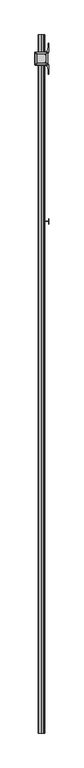
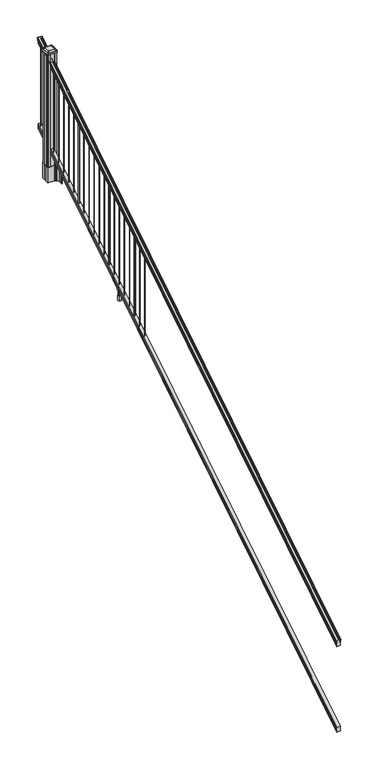
"""IFC4 building model written with IfcOpenShell, lengths in millimetres: railing geometry."""

from ifc_helpers import new_model, si_unit, point, frame, frame_2d, origin, place, context, project, spatial, polyline, circle_curve, ellipse_curve, trimmed, segment, composite_curve, outline, extrude, faceted_brep, source, transform, mapped, element, save
from ifc_brep_helpers import plane_surface, cylinder_surface, revolved_surface, extruded_surface, advanced_brep


def railing_d0e5d1f3(model_context):
    return source(origin(), model_context, "Body", "SolidModel", [
        advanced_brep(
        [(7294.632944, -87458.4628453, 1133.2070492), (7297.2067728, -87458.4628453, 1133.2070492), (7297.2067728, -87458.4628453, 1120.6394336), (7296.1907728, -87458.4628453, 1119.441318), (7296.1907728, -87458.4628453, 1104.9), (7327.9407728, -87458.4628453, 1104.9), (7327.9407728, -87458.4628453, 1119.6274214), (7326.9247728, -87458.4628453, 1120.825537), (7326.9247728, -87458.4628453, 1133.2070492), (7329.4986015, -87458.4628453, 1133.2070492), (7329.4986015, -87458.4628453, 1135.4335658), (7330.6287878, -87458.4628453, 1137.2758543), (7330.6287878, -87458.4628453, 1145.7876358), (7329.9795314, -87458.4628453, 1148.6572588), (7332.4795314, -87458.4628453, 1153.7635509), (7333.8888739, -87458.4628453, 1155.7442021), (7334.2907729, -87458.4628453, 1157.0469579), (7334.2907728, -87458.4628453, 1158.6274846), (7332.7373255, -87458.4628453, 1160.4593836), (7312.0657728, -87458.4628453, 1160.4593836), (7291.39422, -87458.4628453, 1160.4593836), (7289.8407728, -87458.4628453, 1158.6274846), (7289.8407728, -87458.4628453, 1157.0469579), (7290.2426717, -87458.4628453, 1155.7442021), (7291.6520141, -87458.4628453, 1153.7635509), (7294.1520141, -87458.4628453, 1148.6572588), (7293.5027577, -87458.4628453, 1145.7876358), (7293.5027577, -87458.4628453, 1137.2758543), (7294.632944, -87458.4628453, 1135.4335658), (7294.632944, -82581.6628453, 4181.2070492), (7294.632944, -82581.6628453, 4183.4335658), (7293.5027577, -82581.6628453, 4185.2758543), (7293.5027577, -82581.6628453, 4193.7876358), (7294.1520141, -82581.6628453, 4196.6572588), (7291.6520141, -82581.6628453, 4201.7635509), (7290.2426717, -82581.6628453, 4203.7442021), (7289.8407727, -82581.6628453, 4205.0469579), (7289.8407728, -82581.6628453, 4206.6274846), (7291.39422, -82581.6628453, 4208.4593836), (7312.0657728, -82581.6628453, 4208.4593836), (7332.7373255, -82581.6628453, 4208.4593836), (7334.2907728, -82581.6628453, 4206.6274846), (7334.2907728, -82581.6628453, 4205.0469579), (7333.8888739, -82581.6628453, 4203.7442021), (7332.4795314, -82581.6628453, 4201.7635509), (7329.9795314, -82581.6628453, 4196.6572588), (7330.6287878, -82581.6628453, 4193.7876358), (7330.6287878, -82581.6628453, 4185.2758543), (7329.4986015, -82581.6628453, 4183.4335658), (7329.4986015, -82581.6628453, 4181.2070492), (7326.9247728, -82581.6628453, 4181.2070492), (7326.9247728, -82581.6628453, 4168.825537), (7327.9407728, -82581.6628453, 4167.6274214), (7327.9407728, -82581.6628453, 4152.9), (7296.1907728, -82581.6628453, 4152.9), (7296.1907728, -82581.6628453, 4167.441318), (7297.2067728, -82581.6628453, 4168.6394336), (7297.2067728, -82581.6628453, 4181.2070492)],
        [
            (0, 1, ellipse_curve(frame((7295.9198584, -87458.4628453, 1133.2070492), z_axis=(0.0, -1.0, 0.0), x_axis=(0.0, 0.0, -1.0)), 1.5175907, 1.2869144)),
            (1, 2),
            (2, 3),
            (3, 4),
            (4, 5),
            (5, 6),
            (6, 7),
            (7, 8),
            (8, 9, ellipse_curve(frame((7328.2116871, -87458.4628453, 1133.2070492), z_axis=(0.0, -1.0, 0.0), x_axis=(0.0, 0.0, -1.0)), 1.5175907, 1.2869144)),
            (9, 10),
            (10, 11, ellipse_curve(frame((7323.1838482, -87458.4628453, 1142.2239405), z_axis=(0.0, -1.0, 0.0), x_axis=(0.0, 0.0, -1.0)), 10.0777926, 8.545951)),
            (11, 12, ellipse_curve(frame((7323.6209112, -87458.4628453, 1141.5317451), z_axis=(0.0, -1.0, 0.0), x_axis=(0.0, 0.0, -1.0)), 9.2955186, 7.882584)),
            (12, 13, ellipse_curve(frame((7334.1342353, -87458.4628453, 1148.4275077), z_axis=(0.0, 1.0, 0.0), x_axis=(0.0, 0.0, 1.0)), 4.9048088, 4.1592695)),
            (13, 14, ellipse_curve(frame((7335.4215419, -87458.4628453, 1148.3563208), z_axis=(0.0, 1.0, 0.0), x_axis=(0.0, 0.0, 1.0)), 6.4245301, 5.4479907)),
            (14, 15, ellipse_curve(frame((7334.1883834, -87458.4628453, 1153.7602333), z_axis=(0.0, 1.0, 0.0), x_axis=(0.0, 0.0, 1.0)), 2.0151625, 1.7088543)),
            (15, 16, ellipse_curve(frame((7332.5714833, -87458.4628453, 1157.0469579), z_axis=(0.0, -1.0, 0.0), x_axis=(0.0, 0.0, -1.0)), 2.0274681, 1.7192895)),
            (16, 17),
            (17, 18, ellipse_curve(frame((7332.7373255, -87458.4628453, 1158.6274846), z_axis=(0.0, -1.0, 0.0), x_axis=(0.0, 0.0, -1.0)), 1.831899, 1.5534472)),
            (18, 19),
            (19, 20),
            (20, 21, ellipse_curve(frame((7291.39422, -87458.4628453, 1158.6274846), z_axis=(0.0, -1.0, 0.0), x_axis=(0.0, 0.0, -1.0)), 1.831899, 1.5534472)),
            (21, 22),
            (22, 23, ellipse_curve(frame((7291.5600622, -87458.4628453, 1157.0469579), z_axis=(0.0, -1.0, 0.0), x_axis=(0.0, 0.0, -1.0)), 2.0274681, 1.7192895)),
            (23, 24, ellipse_curve(frame((7289.9431621, -87458.4628453, 1153.7602333), z_axis=(0.0, 1.0, 0.0), x_axis=(0.0, 0.0, 1.0)), 2.0151625, 1.7088543)),
            (24, 25, ellipse_curve(frame((7288.7100037, -87458.4628453, 1148.3563208), z_axis=(0.0, 1.0, 0.0), x_axis=(0.0, 0.0, 1.0)), 6.4245301, 5.4479907)),
            (25, 26, ellipse_curve(frame((7289.9973102, -87458.4628453, 1148.4275077), z_axis=(0.0, 1.0, 0.0), x_axis=(0.0, 0.0, 1.0)), 4.9048088, 4.1592695)),
            (26, 27, ellipse_curve(frame((7300.5106343, -87458.4628453, 1141.5317451), z_axis=(0.0, -1.0, 0.0), x_axis=(0.0, 0.0, -1.0)), 9.2955186, 7.882584)),
            (27, 28, ellipse_curve(frame((7300.9476973, -87458.4628453, 1142.2239405), z_axis=(0.0, -1.0, 0.0), x_axis=(0.0, 0.0, -1.0)), 10.0777926, 8.545951)),
            (28, 0),
            (29, 30),
            (30, 31, ellipse_curve(frame((7300.9476973, -82581.6628453, 4190.2239405), z_axis=(0.0, 1.0, 0.0), x_axis=(0.0, 0.0, -1.0)), 10.0777926, 8.545951)),
            (31, 32, ellipse_curve(frame((7300.5106343, -82581.6628453, 4189.5317451), z_axis=(0.0, 1.0, 0.0), x_axis=(0.0, 0.0, -1.0)), 9.2955186, 7.882584)),
            (32, 33, ellipse_curve(frame((7289.9973102, -82581.6628453, 4196.4275077), z_axis=(0.0, -1.0, 0.0), x_axis=(0.0, 0.0, 1.0)), 4.9048088, 4.1592695)),
            (33, 34, ellipse_curve(frame((7288.7100037, -82581.6628453, 4196.3563208), z_axis=(0.0, -1.0, 0.0), x_axis=(0.0, 0.0, 1.0)), 6.4245301, 5.4479907)),
            (34, 35, ellipse_curve(frame((7289.9431621, -82581.6628453, 4201.7602333), z_axis=(0.0, -1.0, 0.0), x_axis=(0.0, 0.0, 1.0)), 2.0151625, 1.7088543)),
            (35, 36, ellipse_curve(frame((7291.5600622, -82581.6628453, 4205.0469579), z_axis=(0.0, 1.0, 0.0), x_axis=(0.0, 0.0, -1.0)), 2.0274681, 1.7192895)),
            (36, 37),
            (37, 38, ellipse_curve(frame((7291.39422, -82581.6628453, 4206.6274846), z_axis=(0.0, 1.0, 0.0), x_axis=(0.0, 0.0, -1.0)), 1.831899, 1.5534472)),
            (38, 39),
            (39, 40),
            (40, 41, ellipse_curve(frame((7332.7373255, -82581.6628453, 4206.6274846), z_axis=(0.0, 1.0, 0.0), x_axis=(0.0, 0.0, -1.0)), 1.831899, 1.5534472)),
            (41, 42),
            (42, 43, ellipse_curve(frame((7332.5714833, -82581.6628453, 4205.0469579), z_axis=(0.0, 1.0, 0.0), x_axis=(0.0, 0.0, -1.0)), 2.0274681, 1.7192895)),
            (43, 44, ellipse_curve(frame((7334.1883834, -82581.6628453, 4201.7602333), z_axis=(0.0, -1.0, 0.0), x_axis=(0.0, 0.0, 1.0)), 2.0151625, 1.7088543)),
            (44, 45, ellipse_curve(frame((7335.4215419, -82581.6628453, 4196.3563208), z_axis=(0.0, -1.0, 0.0), x_axis=(0.0, 0.0, 1.0)), 6.4245301, 5.4479907)),
            (45, 46, ellipse_curve(frame((7334.1342353, -82581.6628453, 4196.4275077), z_axis=(0.0, -1.0, 0.0), x_axis=(0.0, 0.0, 1.0)), 4.9048088, 4.1592695)),
            (46, 47, ellipse_curve(frame((7323.6209112, -82581.6628453, 4189.5317451), z_axis=(0.0, 1.0, 0.0), x_axis=(0.0, 0.0, -1.0)), 9.2955186, 7.882584)),
            (47, 48, ellipse_curve(frame((7323.1838482, -82581.6628453, 4190.2239405), z_axis=(0.0, 1.0, 0.0), x_axis=(0.0, 0.0, -1.0)), 10.0777926, 8.545951)),
            (48, 49),
            (49, 50, ellipse_curve(frame((7328.2116871, -82581.6628453, 4181.2070492), z_axis=(0.0, 1.0, 0.0), x_axis=(0.0, 0.0, -1.0)), 1.5175907, 1.2869144)),
            (50, 51),
            (51, 52),
            (52, 53),
            (53, 54),
            (54, 55),
            (55, 56),
            (56, 57),
            (57, 29, ellipse_curve(frame((7295.9198584, -82581.6628453, 4181.2070492), z_axis=(0.0, 1.0, 0.0), x_axis=(0.0, 0.0, -1.0)), 1.5175907, 1.2869144)),
            (28, 30),
            (29, 0),
            (27, 31),
            (26, 32),
            (25, 33),
            (24, 34),
            (23, 35),
            (22, 36),
            (21, 37),
            (20, 38),
            (19, 39),
            (18, 40),
            (17, 41),
            (16, 42),
            (15, 43),
            (14, 44),
            (13, 45),
            (12, 46),
            (11, 47),
            (10, 48),
            (9, 49),
            (8, 50),
            (7, 51),
            (6, 52),
            (5, 53),
            (4, 54),
            (3, 55),
            (2, 56),
            (1, 57),
        ],
        [
            plane_surface(frame((7312.0657728, -87458.4628453, 1104.9), z_axis=(0.0, -1.0, 0.0), x_axis=(0.0, 0.0, 1.0))),
            plane_surface(frame((7312.0657728, -82581.6628453, 4152.9), z_axis=(0.0, 1.0, 0.0), x_axis=(0.0, 0.0, 1.0))),
            plane_surface(frame((7294.632944, -87458.4628453, 1135.4335658), z_axis=(-1.0, 0.0, 0.0), x_axis=(0.0, 0.8479983040051252, 0.5299989400031204))),
            cylinder_surface(frame((7300.9476973, -87475.23765, 1131.7396876), z_axis=(0.0, -0.8479983040051253, -0.5299989400031204), x_axis=(1.0, 0.0, 0.0)), 8.545951),
            cylinder_surface(frame((7300.5106343, -87474.9265509, 1131.241929), z_axis=(0.0, -0.8479983040051253, -0.5299989400031204), x_axis=(1.0, 0.0, 0.0)), 7.882584),
            revolved_surface(polyline([(7294.1565797, -82579.45843685034, 4197.805262980552), (7294.1565797, -87460.66725374945, 1147.0497524190953)]), (7289.9973102, -87478.0257701, 1136.2006797), (0.0, 0.8479983040051253, 0.5299989400031204)),
            revolved_surface(polyline([(7294.1579944000005, -82578.77541603574, 4198.160964077185), (7294.1579944000005, -87461.35027455281, 1146.551677504493)]), (7288.7100037, -87477.993776, 1136.1494891), (0.0, 0.8479983040051253, 0.5299989400031204)),
            revolved_surface(polyline([(7291.6520164, -82580.75715429979, 4202.326290199658), (7291.6520164, -87459.36853632248, 1153.1941764359544)]), (7289.9431621, -87480.4225007, 1140.0354487), (0.0, 0.8479983040051253, 0.5299989400031204)),
            cylinder_surface(frame((7291.5600622, -87481.8996803, 1142.398936), z_axis=(0.0, -0.8479983040051253, -0.5299989400031204), x_axis=(1.0, 0.0, 0.0)), 1.7192895),
            plane_surface(frame((7289.8407728, -87458.4628453, 1158.6274846), z_axis=(-1.0, 0.0, 0.0), x_axis=(0.0, 0.8479983040051252, 0.5299989400031204))),
            cylinder_surface(frame((7291.39422, -87482.6100294, 1143.5354945), z_axis=(0.0, -0.8479983040051253, -0.5299989400031204), x_axis=(1.0, 0.0, 0.0)), 1.5534472),
            plane_surface(frame((7312.0657728, -87458.4628453, 1160.4593836), z_axis=(0.0, -0.5299989400031204, 0.8479983040051252), x_axis=(0.0, 0.8479983040051252, 0.5299989400031204))),
            plane_surface(frame((7332.7373255, -87458.4628453, 1160.4593836), z_axis=(0.0, -0.5299989400031204, 0.8479983040051252), x_axis=(0.0, 0.8479983040051252, 0.5299989400031204))),
            cylinder_surface(frame((7332.7373255, -87482.6100294, 1143.5354945), z_axis=(0.0, -0.8479983040051253, -0.5299989400031204), x_axis=(-1.0, 0.0, 0.0)), 1.5534472),
            plane_surface(frame((7334.2907728, -87458.4628453, 1157.0469579), z_axis=(1.0, 0.0, 0.0), x_axis=(0.0, 0.8479983040051252, 0.5299989400031204))),
            cylinder_surface(frame((7332.5714833, -87481.8996803, 1142.398936), z_axis=(0.0, -0.8479983040051253, -0.5299989400031204), x_axis=(-1.0, 0.0, 0.0)), 1.7192895),
            revolved_surface(polyline([(7332.4795291, -82580.75715429979, 4202.326290199658), (7332.4795291, -87459.36853632248, 1153.1941764359544)]), (7334.1883834, -87480.4225007, 1140.0354487), (0.0, 0.8479983040051253, 0.5299989400031204)),
            revolved_surface(polyline([(7329.9735512, -82578.77541603574, 4198.160964077185), (7329.9735512, -87461.35027455281, 1146.551677504493)]), (7335.4215419, -87477.993776, 1136.1494891), (0.0, 0.8479983040051253, 0.5299989400031204)),
            revolved_surface(polyline([(7329.9749658, -82579.45843685034, 4197.805262980552), (7329.9749658, -87460.66725374945, 1147.0497524190953)]), (7334.1342353, -87478.0257701, 1136.2006797), (0.0, 0.8479983040051253, 0.5299989400031204)),
            cylinder_surface(frame((7323.6209112, -87474.9265509, 1131.241929), z_axis=(0.0, -0.8479983040051253, -0.5299989400031204), x_axis=(-1.0, 0.0, 0.0)), 7.882584),
            cylinder_surface(frame((7323.1838482, -87475.23765, 1131.7396876), z_axis=(0.0, -0.8479983040051253, -0.5299989400031204), x_axis=(-1.0, 0.0, 0.0)), 8.545951),
            plane_surface(frame((7329.4986015, -87458.4628453, 1133.2070492), z_axis=(1.0, 0.0, 0.0), x_axis=(0.0, 0.8479983040051252, 0.5299989400031204))),
            cylinder_surface(frame((7328.2116871, -87471.1851146, 1125.2556309), z_axis=(0.0, -0.8479983040051253, -0.5299989400031204), x_axis=(-1.0, 0.0, 0.0)), 1.2869144),
            plane_surface(frame((7326.9247728, -87458.4628453, 1120.825537), z_axis=(1.0, 0.0, 0.0), x_axis=(0.0, 0.8479983040051252, 0.5299989400031204))),
            plane_surface(frame((7327.9407728, -87458.4628453, 1119.6274214), z_axis=(0.7071067811865425, -0.37476584449789213, 0.5996253511967194), x_axis=(0.0, 0.8479983040051252, 0.5299989400031204))),
            plane_surface(frame((7327.9407728, -87458.4628453, 1104.9), z_axis=(1.0, 0.0, 0.0), x_axis=(0.0, 0.8479983040051252, 0.5299989400031204))),
            plane_surface(frame((7296.1907728, -87458.4628453, 1104.9), z_axis=(0.0, 0.5299989400031204, -0.8479983040051252), x_axis=(0.0, 0.8479983040051252, 0.5299989400031204))),
            plane_surface(frame((7296.1907728, -87458.4628453, 1119.441318), z_axis=(-1.0000000000000002, 0.0, 0.0), x_axis=(0.0, 0.8479983040051253, 0.5299989400031204))),
            plane_surface(frame((7297.2067728, -87458.4628453, 1120.6394336), z_axis=(-0.7071067811865401, -0.3747658444978918, 0.5996253511967223), x_axis=(0.0, 0.8479983040051253, 0.5299989400031204))),
            plane_surface(frame((7297.2067728, -87458.4628453, 1133.2070492), z_axis=(-1.0, 0.0, 0.0), x_axis=(0.0, 0.8479983040051252, 0.5299989400031204))),
            cylinder_surface(frame((7295.9198584, -87471.1851146, 1125.2556309), z_axis=(0.0, -0.8479983040051253, -0.5299989400031204), x_axis=(1.0, 0.0, 0.0)), 1.2869144),
        ],
        [
            (0, [[1, 2, 3, 4, 5, 6, 7, 8, 9, 10, 11, 12, 13, 14, 15, 16, 17, 18, 19, 20, 21, 22, 23, 24, 25, 26, 27, 28, 29]]),
            (1, [[30, 31, 32, 33, 34, 35, 36, 37, 38, 39, 40, 41, 42, 43, 44, 45, 46, 47, 48, 49, 50, 51, 52, 53, 54, 55, 56, 57, 58]]),
            (2, [[-29, 59, -30, 60]]),
            (3, [[-28, 61, -31, -59]]),
            (4, [[-27, 62, -32, -61]]),
            (5, [[-26, 63, -33, -62]]),
            (6, [[-25, 64, -34, -63]]),
            (7, [[-24, 65, -35, -64]]),
            (8, [[-23, 66, -36, -65]]),
            (9, [[-22, 67, -37, -66]]),
            (10, [[-21, 68, -38, -67]]),
            (11, [[-20, 69, -39, -68]]),
            (12, [[-19, 70, -40, -69]]),
            (13, [[-18, 71, -41, -70]]),
            (14, [[-17, 72, -42, -71]]),
            (15, [[-16, 73, -43, -72]]),
            (16, [[-15, 74, -44, -73]]),
            (17, [[-14, 75, -45, -74]]),
            (18, [[-13, 76, -46, -75]]),
            (19, [[-12, 77, -47, -76]]),
            (20, [[-11, 78, -48, -77]]),
            (21, [[-10, 79, -49, -78]]),
            (22, [[-9, 80, -50, -79]]),
            (23, [[-8, 81, -51, -80]]),
            (24, [[-7, 82, -52, -81]]),
            (25, [[-6, 83, -53, -82]]),
            (26, [[-5, 84, -54, -83]]),
            (27, [[-4, 85, -55, -84]]),
            (28, [[-3, 86, -56, -85]]),
            (29, [[-2, 87, -57, -86]]),
            (30, [[-1, -60, -58, -87]]),
        ],
    ),
        faceted_brep([(7296.1532859, -87458.4628453, 268.8045079), (7296.1532859, -87458.4628453, 254.0), (7327.9032859, -87458.4628453, 254.0), (7327.9032859, -87458.4628453, 268.7848772), (7326.8872859, -87458.4628453, 270.3748303), (7326.8872859, -87458.4628453, 282.5348741), (7327.9032859, -87458.4628453, 284.1248272), (7327.9032859, -87458.4628453, 298.9244744), (7296.1532859, -87458.4628453, 298.9244744), (7296.1532859, -87458.4628453, 284.1444579), (7297.1692859, -87458.4628453, 282.5545048), (7297.1692859, -87458.4628453, 270.338026), (7296.1532859, -82581.6628453, 3316.8045079), (7297.1692859, -82581.6628453, 3318.338026), (7297.1692859, -82581.6628453, 3330.5545048), (7296.1532859, -82581.6628453, 3332.1444579), (7296.1532859, -82581.6628453, 3346.9244744), (7327.9032859, -82581.6628453, 3346.9244744), (7327.9032859, -82581.6628453, 3332.1248272), (7326.8872859, -82581.6628453, 3330.5348741), (7326.8872859, -82581.6628453, 3318.3748303), (7327.9032859, -82581.6628453, 3316.7848772), (7327.9032859, -82581.6628453, 3302.0), (7296.1532859, -82581.6628453, 3302.0)], [[[0, 1, 2, 3, 4, 5, 6, 7, 8, 9, 10, 11]], [[12, 13, 14, 15, 16, 17, 18, 19, 20, 21, 22, 23]], [[0, 11, 13, 12]], [[11, 10, 14, 13]], [[10, 9, 15, 14]], [[9, 8, 16, 15]], [[8, 7, 17, 16]], [[7, 6, 18, 17]], [[6, 5, 19, 18]], [[5, 4, 20, 19]], [[4, 3, 21, 20]], [[3, 2, 22, 21]], [[2, 1, 23, 22]], [[1, 0, 12, 23]]]),
        extrude(outline(composite_curve([segment(trimmed(circle_curve(frame_2d((7312.0657728, -82600.7128453)), 1.5875), [point((7310.4782728, -82600.7128453))], [point((7312.0657728, -82599.1253453))], False, "CARTESIAN"), True, "CONTINUOUS"), segment(trimmed(circle_curve(frame_2d((7312.0657728, -82600.7128453)), 1.5875), [point((7312.0657728, -82599.1253453))], [point((7313.6532728, -82600.7128453))], False, "CARTESIAN"), True, "CONTINUOUS"), segment(trimmed(circle_curve(frame_2d((7312.0657728, -82600.7128453)), 1.5875), [point((7313.6532728, -82600.7128453))], [point((7312.0657728, -82602.3003453))], False, "CARTESIAN"), True, "CONTINUOUS"), segment(trimmed(circle_curve(frame_2d((7312.0657728, -82600.7128453)), 1.5875), [point((7312.0657728, -82602.3003453))], [point((7310.4782728, -82600.7128453))], False, "CARTESIAN"), True, "CONTINUOUS")], self_intersect=False)), frame((0.0, 0.0, 3328.1896281), z_axis=(0.0, 0.0, 1.0), x_axis=(1.0, 0.0, 0.0)), (0.0, 0.0, 1.0), 812.8041219),
        extrude(outline(composite_curve([segment(trimmed(circle_curve(frame_2d((7312.0657728, -82683.2628453)), 1.5875), [point((7310.4782728, -82683.2628453))], [point((7312.0657728, -82681.6753453))], False, "CARTESIAN"), True, "CONTINUOUS"), segment(trimmed(circle_curve(frame_2d((7312.0657728, -82683.2628453)), 1.5875), [point((7312.0657728, -82681.6753453))], [point((7313.6532728, -82683.2628453))], False, "CARTESIAN"), True, "CONTINUOUS"), segment(trimmed(circle_curve(frame_2d((7312.0657728, -82683.2628453)), 1.5875), [point((7313.6532728, -82683.2628453))], [point((7312.0657728, -82684.8503453))], False, "CARTESIAN"), True, "CONTINUOUS"), segment(trimmed(circle_curve(frame_2d((7312.0657728, -82683.2628453)), 1.5875), [point((7312.0657728, -82684.8503453))], [point((7310.4782728, -82683.2628453))], False, "CARTESIAN"), True, "CONTINUOUS")], self_intersect=False)), frame((0.0, 0.0, 3276.5958781), z_axis=(0.0, 0.0, 1.0), x_axis=(1.0, 0.0, 0.0)), (0.0, 0.0, 1.0), 812.8041219),
        extrude(outline(composite_curve([segment(polyline([(7269.3302728, -82764.1489401), (7269.3302728, -82729.3767504), (7267.7427728, -82728.6147504), (7267.7427728, -82705.8128224), (7271.1157498, -82702.4398453), (7332.5754206, -82702.4398453), (7332.5754206, -82701.5190953), (7337.8929645, -82701.5190953), (7337.8929645, -82700.0648406), (7342.9774942, -82700.0648406), (7342.9774942, -82698.7808168), (7344.6447665, -82698.7808168)]), True, "CONTINUOUS"), segment(trimmed(circle_curve(frame_2d((7344.6447665, -82691.7213569)), 7.0594599), [point((7344.6447665, -82698.7808168))], [point((7351.4120293, -82693.7313636))], True, "CARTESIAN"), True, "CONTINUOUS"), segment(polyline([(7351.4120293, -82693.7313636), (7359.2862236, -82667.2206345)]), True, "CONTINUOUS"), segment(trimmed(circle_curve(frame_2d((7304.5017103, -82650.9485848)), 57.15), [point((7359.2862236, -82667.2206345))], [point((7361.6517103, -82650.9485848))], True, "CARTESIAN"), True, "CONTINUOUS"), segment(polyline([(7361.6517103, -82650.9485848), (7361.6517103, -82638.9398453), (7364.6517103, -82638.9398453), (7364.6517103, -82704.0273453), (7356.3887728, -82715.3656366), (7356.3887728, -82728.6147504), (7354.8012728, -82729.3767504), (7354.8012728, -82764.1489401), (7356.3887728, -82764.9109401), (7356.3887728, -82778.160054), (7364.6517103, -82789.4983453), (7364.6517103, -82854.5858453), (7361.6517103, -82854.5858453), (7361.6517103, -82842.5771057)]), True, "CONTINUOUS"), segment(trimmed(circle_curve(frame_2d((7304.5017103, -82842.5771057)), 57.15), [point((7361.6517103, -82842.5771057))], [point((7359.2862236, -82826.3050561))], True, "CARTESIAN"), True, "CONTINUOUS"), segment(polyline([(7359.2862236, -82826.3050561), (7351.4120293, -82799.794327)]), True, "CONTINUOUS"), segment(trimmed(circle_curve(frame_2d((7344.6447665, -82801.8043337)), 7.0594599), [point((7351.4120293, -82799.794327))], [point((7344.6447665, -82794.7448738))], True, "CARTESIAN"), True, "CONTINUOUS"), segment(polyline([(7344.6447665, -82794.7448738), (7342.9774942, -82794.7448738), (7342.9774942, -82793.46085), (7337.8929645, -82793.46085), (7337.8929645, -82792.0065953), (7332.5754206, -82792.0065953), (7332.5754206, -82791.0858453), (7271.1157498, -82791.0858453), (7267.7427728, -82787.7128682), (7267.7427728, -82764.9109401), (7269.3302728, -82764.1489401)]), True, "CONTINUOUS")], self_intersect=False), holes=[polyline([(7353.3407728, -82707.0753453), (7351.7532728, -82705.4878453), (7314.8289902, -82705.4878453), (7272.3782728, -82705.4878453), (7270.7907728, -82707.0753453), (7270.7907728, -82786.4503453), (7272.3782728, -82788.0378453), (7314.8289902, -82788.0378453), (7351.7532728, -82788.0378453), (7353.3407728, -82786.4503453), (7353.3407728, -82707.0753453)])]), frame((0.0, 0.0, 2895.6), z_axis=(0.0, 0.0, 1.0), x_axis=(1.0, 0.0, 0.0)), (0.0, 0.0, 1.0), 152.4),
        advanced_brep(
        [(7337.8626478, -82775.7347203, 4195.251763), (7341.0376478, -82772.5597203, 4195.251763), (7341.0376478, -82720.9659703, 4195.251763), (7337.8626478, -82717.7909703, 4195.251763), (7286.2688978, -82717.7909703, 4195.251763), (7283.0938978, -82720.9659703, 4195.251763), (7283.0938978, -82772.5597203, 4195.251763), (7286.2688978, -82775.7347203, 4195.251763), (7354.1345228, -82792.0065953, 4183.948763), (7269.9970228, -82792.0065953, 4183.948763), (7266.8220228, -82788.8315953, 4183.948763), (7266.8220228, -82704.6940953, 4183.948763), (7269.9970228, -82701.5190953, 4183.948763), (7354.1345228, -82701.5190953, 4183.948763), (7357.3095228, -82704.6940953, 4183.948763), (7357.3095228, -82788.8315953, 4183.948763)],
        [
            (0, 1, circle_curve(frame((7337.8626478, -82772.5597203, 4195.251763), z_axis=(0.0, 0.0, 1.0), x_axis=(0.0, 1.0, 0.0)), 3.175)),
            (1, 2),
            (2, 3, circle_curve(frame((7337.8626478, -82720.9659703, 4195.251763), z_axis=(0.0, 0.0, 1.0), x_axis=(0.0, 1.0, 0.0)), 3.175)),
            (3, 4),
            (4, 5, circle_curve(frame((7286.2688978, -82720.9659703, 4195.251763), z_axis=(0.0, 0.0, 1.0), x_axis=(0.0, 1.0, 0.0)), 3.175)),
            (5, 6),
            (6, 7, circle_curve(frame((7286.2688978, -82772.5597203, 4195.251763), z_axis=(0.0, 0.0, 1.0), x_axis=(0.0, 1.0, 0.0)), 3.175)),
            (7, 0),
            (8, 9),
            (9, 10, circle_curve(frame((7269.9970228, -82788.8315953, 4183.948763), z_axis=(0.0, 0.0, -1.0), x_axis=(0.0, 1.0, 0.0)), 3.175)),
            (10, 11),
            (11, 12, circle_curve(frame((7269.9970228, -82704.6940953, 4183.948763), z_axis=(0.0, 0.0, -1.0), x_axis=(0.0, 1.0, 0.0)), 3.175)),
            (12, 13),
            (13, 14, circle_curve(frame((7354.1345228, -82704.6940953, 4183.948763), z_axis=(0.0, 0.0, -1.0), x_axis=(0.0, 1.0, 0.0)), 3.175)),
            (14, 15),
            (15, 8, circle_curve(frame((7354.1345228, -82788.8315953, 4183.948763), z_axis=(0.0, 0.0, -1.0), x_axis=(0.0, 1.0, 0.0)), 3.175)),
            (15, 1),
            (0, 8),
            (14, 2),
            (13, 3),
            (12, 4),
            (11, 5),
            (10, 6),
            (9, 7),
        ],
        [
            plane_surface(frame((7312.0657728, -82746.7628453, 4195.251763), z_axis=(0.0, 0.0, 1.0), x_axis=(1.0, 0.0, 0.0))),
            plane_surface(frame((7312.0657728, -82746.7628453, 4183.948763), z_axis=(0.0, 0.0, -1.0), x_axis=(1.0, 0.0, 0.0))),
            extruded_surface(trimmed(circle_curve(frame((7354.1345228, -82788.8315953, 4183.948763), z_axis=(0.0, 0.0, 1.0), x_axis=(0.0, 1.0, 0.0)), 3.175), [point((7354.1345228, -82792.0065953, 4183.948763))], [point((7357.3095228, -82788.8315953, 4183.948763))], True, "CARTESIAN"), (-16.271875000000364, 16.27187499999127, 11.302999999999884), 25.637972638860802),
            plane_surface(frame((7357.3095228, -82746.7628453, 4183.948763), z_axis=(0.5705009161540779, 0.0, 0.8212969649690408), x_axis=(0.0, 1.0, 0.0))),
            extruded_surface(trimmed(circle_curve(frame((7354.1345228, -82704.6940953, 4183.948763), z_axis=(0.0, 0.0, 1.0), x_axis=(0.0, 1.0, 0.0)), 3.175), [point((7357.3095228, -82704.6940953, 4183.948763))], [point((7354.1345228, -82701.5190953, 4183.948763))], True, "CARTESIAN"), (-16.271875000000364, -16.27187500000582, 11.302999999999884), 25.637972638870036),
            plane_surface(frame((7312.0657728, -82701.5190953, 4183.948763), z_axis=(0.0, 0.5705009161540291, 0.8212969649690747), x_axis=(-1.0, 0.0, 0.0))),
            extruded_surface(trimmed(circle_curve(frame((7269.9970228, -82704.6940953, 4183.948763), z_axis=(0.0, 0.0, 1.0), x_axis=(0.0, 1.0, 0.0)), 3.175), [point((7269.9970228, -82701.5190953, 4183.948763))], [point((7266.8220228, -82704.6940953, 4183.948763))], True, "CARTESIAN"), (16.271874999999454, -16.27187500000582, 11.302999999999884), 25.63797263886946),
            plane_surface(frame((7266.8220228, -82746.7628453, 4183.948763), z_axis=(-0.5705009161540141, 0.0, 0.8212969649690851), x_axis=(0.0, -1.0, 0.0))),
            extruded_surface(trimmed(circle_curve(frame((7269.9970228, -82788.8315953, 4183.948763), z_axis=(0.0, 0.0, 1.0), x_axis=(0.0, 1.0, 0.0)), 3.175), [point((7266.8220228, -82788.8315953, 4183.948763))], [point((7269.9970228, -82792.0065953, 4183.948763))], True, "CARTESIAN"), (16.271874999999454, 16.27187499999127, 11.302999999999884), 25.637972638860223),
            plane_surface(frame((7312.0657728, -82792.0065953, 4183.948763), z_axis=(0.0, -0.570500916154034, 0.8212969649690713), x_axis=(1.0, 0.0, 0.0))),
        ],
        [
            (0, [[1, 2, 3, 4, 5, 6, 7, 8]]),
            (1, [[9, 10, 11, 12, 13, 14, 15, 16]]),
            (2, [[-16, 17, -1, 18]]),
            (3, [[-15, 19, -2, -17]]),
            (4, [[-14, 20, -3, -19]]),
            (5, [[-13, 21, -4, -20]]),
            (6, [[-12, 22, -5, -21]]),
            (7, [[-11, 23, -6, -22]]),
            (8, [[-10, 24, -7, -23]]),
            (9, [[-9, -18, -8, -24]]),
        ],
    ),
        extrude(outline(composite_curve([segment(polyline([(7354.1345228, -82792.0065953), (7269.9970228, -82792.0065953)]), True, "CONTINUOUS"), segment(trimmed(circle_curve(frame_2d((7269.9970228, -82788.8315953)), 3.175), [point((7269.9970228, -82792.0065953))], [point((7266.8220228, -82788.8315953))], False, "CARTESIAN"), True, "CONTINUOUS"), segment(polyline([(7266.8220228, -82788.8315953), (7266.8220228, -82704.6940953)]), True, "CONTINUOUS"), segment(trimmed(circle_curve(frame_2d((7269.9970228, -82704.6940953)), 3.175), [point((7266.8220228, -82704.6940953))], [point((7269.9970228, -82701.5190953))], False, "CARTESIAN"), True, "CONTINUOUS"), segment(polyline([(7269.9970228, -82701.5190953), (7354.1345228, -82701.5190953)]), True, "CONTINUOUS"), segment(trimmed(circle_curve(frame_2d((7354.1345228, -82704.6940953)), 3.175), [point((7354.1345228, -82701.5190953))], [point((7357.3095228, -82704.6940953))], False, "CARTESIAN"), True, "CONTINUOUS"), segment(polyline([(7357.3095228, -82704.6940953), (7357.3095228, -82788.8315953)]), True, "CONTINUOUS"), segment(trimmed(circle_curve(frame_2d((7354.1345228, -82788.8315953)), 3.175), [point((7357.3095228, -82788.8315953))], [point((7354.1345228, -82792.0065953))], False, "CARTESIAN"), True, "CONTINUOUS")], self_intersect=False)), frame((0.0, 0.0, 4166.676763), z_axis=(0.0, 0.0, 1.0), x_axis=(1.0, 0.0, 0.0)), (0.0, 0.0, 1.0), 17.272),
        extrude(outline(polyline([(7351.7532728, -82788.0378453), (7332.1317728, -82788.0378453), (7331.3697728, -82786.4503453), (7292.7617728, -82786.4503453), (7291.9997728, -82788.0378453), (7272.3782728, -82788.0378453), (7270.7907728, -82786.4503453), (7270.7907728, -82766.8288453), (7272.3782728, -82766.0668453), (7272.3782728, -82727.4588453), (7270.7907728, -82726.6968453), (7270.7907728, -82707.0753453), (7272.3782728, -82705.4878453), (7291.9997728, -82705.4878453), (7292.7617728, -82707.0753453), (7331.3697728, -82707.0753453), (7332.1317728, -82705.4878453), (7351.7532728, -82705.4878453), (7353.3407728, -82707.0753453), (7353.3407728, -82726.6968453), (7351.7532728, -82727.4588453), (7351.7532728, -82766.0668453), (7353.3407728, -82766.8288453), (7353.3407728, -82786.4503453), (7351.7532728, -82788.0378453)])), frame((0.0, 0.0, 3048.0), z_axis=(0.0, 0.0, 1.0), x_axis=(1.0, 0.0, 0.0)), (0.0, 0.0, 1.0), 1118.676763),
        extrude(outline(composite_curve([segment(trimmed(circle_curve(frame_2d((7312.0657728, -82810.2628453)), 1.5875), [point((7310.4782728, -82810.2628453))], [point((7312.0657728, -82808.6753453))], False, "CARTESIAN"), True, "CONTINUOUS"), segment(trimmed(circle_curve(frame_2d((7312.0657728, -82810.2628453)), 1.5875), [point((7312.0657728, -82808.6753453))], [point((7313.6532728, -82810.2628453))], False, "CARTESIAN"), True, "CONTINUOUS"), segment(trimmed(circle_curve(frame_2d((7312.0657728, -82810.2628453)), 1.5875), [point((7313.6532728, -82810.2628453))], [point((7312.0657728, -82811.8503453))], False, "CARTESIAN"), True, "CONTINUOUS"), segment(trimmed(circle_curve(frame_2d((7312.0657728, -82810.2628453)), 1.5875), [point((7312.0657728, -82811.8503453))], [point((7310.4782728, -82810.2628453))], False, "CARTESIAN"), True, "CONTINUOUS")], self_intersect=False)), frame((0.0, 0.0, 3197.2208781), z_axis=(0.0, 0.0, 1.0), x_axis=(1.0, 0.0, 0.0)), (0.0, 0.0, 1.0), 812.8041219),
        extrude(outline(composite_curve([segment(trimmed(circle_curve(frame_2d((7312.0657728, -82892.8128453)), 1.5875), [point((7310.4782728, -82892.8128453))], [point((7312.0657728, -82891.2253453))], False, "CARTESIAN"), True, "CONTINUOUS"), segment(trimmed(circle_curve(frame_2d((7312.0657728, -82892.8128453)), 1.5875), [point((7312.0657728, -82891.2253453))], [point((7313.6532728, -82892.8128453))], False, "CARTESIAN"), True, "CONTINUOUS"), segment(trimmed(circle_curve(frame_2d((7312.0657728, -82892.8128453)), 1.5875), [point((7313.6532728, -82892.8128453))], [point((7312.0657728, -82894.4003453))], False, "CARTESIAN"), True, "CONTINUOUS"), segment(trimmed(circle_curve(frame_2d((7312.0657728, -82892.8128453)), 1.5875), [point((7312.0657728, -82894.4003453))], [point((7310.4782728, -82892.8128453))], False, "CARTESIAN"), True, "CONTINUOUS")], self_intersect=False)), frame((0.0, 0.0, 3145.6271281), z_axis=(0.0, 0.0, 1.0), x_axis=(1.0, 0.0, 0.0)), (0.0, 0.0, 1.0), 812.8041219),
        extrude(outline(composite_curve([segment(trimmed(circle_curve(frame_2d((7312.0657728, -82975.3628453)), 1.5875), [point((7310.4782728, -82975.3628453))], [point((7312.0657728, -82973.7753453))], False, "CARTESIAN"), True, "CONTINUOUS"), segment(trimmed(circle_curve(frame_2d((7312.0657728, -82975.3628453)), 1.5875), [point((7312.0657728, -82973.7753453))], [point((7313.6532728, -82975.3628453))], False, "CARTESIAN"), True, "CONTINUOUS"), segment(trimmed(circle_curve(frame_2d((7312.0657728, -82975.3628453)), 1.5875), [point((7313.6532728, -82975.3628453))], [point((7312.0657728, -82976.9503453))], False, "CARTESIAN"), True, "CONTINUOUS"), segment(trimmed(circle_curve(frame_2d((7312.0657728, -82975.3628453)), 1.5875), [point((7312.0657728, -82976.9503453))], [point((7310.4782728, -82975.3628453))], False, "CARTESIAN"), True, "CONTINUOUS")], self_intersect=False)), frame((0.0, 0.0, 3094.0333781), z_axis=(0.0, 0.0, 1.0), x_axis=(1.0, 0.0, 0.0)), (0.0, 0.0, 1.0), 812.8041219),
        extrude(outline(composite_curve([segment(trimmed(circle_curve(frame_2d((7312.0657728, -83057.9128453)), 1.5875), [point((7310.4782728, -83057.9128453))], [point((7312.0657728, -83056.3253453))], False, "CARTESIAN"), True, "CONTINUOUS"), segment(trimmed(circle_curve(frame_2d((7312.0657728, -83057.9128453)), 1.5875), [point((7312.0657728, -83056.3253453))], [point((7313.6532728, -83057.9128453))], False, "CARTESIAN"), True, "CONTINUOUS"), segment(trimmed(circle_curve(frame_2d((7312.0657728, -83057.9128453)), 1.5875), [point((7313.6532728, -83057.9128453))], [point((7312.0657728, -83059.5003453))], False, "CARTESIAN"), True, "CONTINUOUS"), segment(trimmed(circle_curve(frame_2d((7312.0657728, -83057.9128453)), 1.5875), [point((7312.0657728, -83059.5003453))], [point((7310.4782728, -83057.9128453))], False, "CARTESIAN"), True, "CONTINUOUS")], self_intersect=False)), frame((0.0, 0.0, 3042.4396281), z_axis=(0.0, 0.0, 1.0), x_axis=(1.0, 0.0, 0.0)), (0.0, 0.0, 1.0), 812.8041219),
        extrude(outline(composite_curve([segment(trimmed(circle_curve(frame_2d((7312.0657728, -83140.4628453)), 1.5875), [point((7310.4782728, -83140.4628453))], [point((7312.0657728, -83138.8753453))], False, "CARTESIAN"), True, "CONTINUOUS"), segment(trimmed(circle_curve(frame_2d((7312.0657728, -83140.4628453)), 1.5875), [point((7312.0657728, -83138.8753453))], [point((7313.6532728, -83140.4628453))], False, "CARTESIAN"), True, "CONTINUOUS"), segment(trimmed(circle_curve(frame_2d((7312.0657728, -83140.4628453)), 1.5875), [point((7313.6532728, -83140.4628453))], [point((7312.0657728, -83142.0503453))], False, "CARTESIAN"), True, "CONTINUOUS"), segment(trimmed(circle_curve(frame_2d((7312.0657728, -83140.4628453)), 1.5875), [point((7312.0657728, -83142.0503453))], [point((7310.4782728, -83140.4628453))], False, "CARTESIAN"), True, "CONTINUOUS")], self_intersect=False)), frame((0.0, 0.0, 2990.8458781), z_axis=(0.0, 0.0, 1.0), x_axis=(1.0, 0.0, 0.0)), (0.0, 0.0, 1.0), 812.8041219),
        extrude(outline(composite_curve([segment(trimmed(circle_curve(frame_2d((7312.0657728, -83223.0128453)), 6.35), [point((7305.7157728, -83223.0128453))], [point((7312.0657728, -83216.6628453))], False, "CARTESIAN"), True, "CONTINUOUS"), segment(trimmed(circle_curve(frame_2d((7312.0657728, -83223.0128453)), 6.35), [point((7312.0657728, -83216.6628453))], [point((7318.4157728, -83223.0128453))], False, "CARTESIAN"), True, "CONTINUOUS"), segment(trimmed(circle_curve(frame_2d((7312.0657728, -83223.0128453)), 6.35), [point((7318.4157728, -83223.0128453))], [point((7312.0657728, -83229.3628453))], False, "CARTESIAN"), True, "CONTINUOUS"), segment(trimmed(circle_curve(frame_2d((7312.0657728, -83223.0128453)), 6.35), [point((7312.0657728, -83229.3628453))], [point((7305.7157728, -83223.0128453))], False, "CARTESIAN"), True, "CONTINUOUS")], self_intersect=False)), frame((0.0, 0.0, 2939.2521281), z_axis=(0.0, 0.0, 1.0), x_axis=(1.0, 0.0, 0.0)), (0.0, 0.0, 1.0), 812.8041219),
        extrude(outline(composite_curve([segment(trimmed(circle_curve(frame_2d((7312.0657728, -83305.5628453)), 1.5875), [point((7310.4782728, -83305.5628453))], [point((7312.0657728, -83303.9753453))], False, "CARTESIAN"), True, "CONTINUOUS"), segment(trimmed(circle_curve(frame_2d((7312.0657728, -83305.5628453)), 1.5875), [point((7312.0657728, -83303.9753453))], [point((7313.6532728, -83305.5628453))], False, "CARTESIAN"), True, "CONTINUOUS"), segment(trimmed(circle_curve(frame_2d((7312.0657728, -83305.5628453)), 1.5875), [point((7313.6532728, -83305.5628453))], [point((7312.0657728, -83307.1503453))], False, "CARTESIAN"), True, "CONTINUOUS"), segment(trimmed(circle_curve(frame_2d((7312.0657728, -83305.5628453)), 1.5875), [point((7312.0657728, -83307.1503453))], [point((7310.4782728, -83305.5628453))], False, "CARTESIAN"), True, "CONTINUOUS")], self_intersect=False)), frame((0.0, 0.0, 2887.6583781), z_axis=(0.0, 0.0, 1.0), x_axis=(1.0, 0.0, 0.0)), (0.0, 0.0, 1.0), 812.8041219),
        extrude(outline(composite_curve([segment(trimmed(circle_curve(frame_2d((7312.0657728, -83388.1128453)), 1.5875), [point((7310.4782728, -83388.1128453))], [point((7312.0657728, -83386.5253453))], False, "CARTESIAN"), True, "CONTINUOUS"), segment(trimmed(circle_curve(frame_2d((7312.0657728, -83388.1128453)), 1.5875), [point((7312.0657728, -83386.5253453))], [point((7313.6532728, -83388.1128453))], False, "CARTESIAN"), True, "CONTINUOUS"), segment(trimmed(circle_curve(frame_2d((7312.0657728, -83388.1128453)), 1.5875), [point((7313.6532728, -83388.1128453))], [point((7312.0657728, -83389.7003453))], False, "CARTESIAN"), True, "CONTINUOUS"), segment(trimmed(circle_curve(frame_2d((7312.0657728, -83388.1128453)), 1.5875), [point((7312.0657728, -83389.7003453))], [point((7310.4782728, -83388.1128453))], False, "CARTESIAN"), True, "CONTINUOUS")], self_intersect=False)), frame((0.0, 0.0, 2836.0646281), z_axis=(0.0, 0.0, 1.0), x_axis=(1.0, 0.0, 0.0)), (0.0, 0.0, 1.0), 812.8041219),
        extrude(outline(composite_curve([segment(trimmed(circle_curve(frame_2d((7312.0657728, -83470.6628453)), 1.5875), [point((7310.4782728, -83470.6628453))], [point((7312.0657728, -83469.0753453))], False, "CARTESIAN"), True, "CONTINUOUS"), segment(trimmed(circle_curve(frame_2d((7312.0657728, -83470.6628453)), 1.5875), [point((7312.0657728, -83469.0753453))], [point((7313.6532728, -83470.6628453))], False, "CARTESIAN"), True, "CONTINUOUS"), segment(trimmed(circle_curve(frame_2d((7312.0657728, -83470.6628453)), 1.5875), [point((7313.6532728, -83470.6628453))], [point((7312.0657728, -83472.2503453))], False, "CARTESIAN"), True, "CONTINUOUS"), segment(trimmed(circle_curve(frame_2d((7312.0657728, -83470.6628453)), 1.5875), [point((7312.0657728, -83472.2503453))], [point((7310.4782728, -83470.6628453))], False, "CARTESIAN"), True, "CONTINUOUS")], self_intersect=False)), frame((0.0, 0.0, 2784.4708781), z_axis=(0.0, 0.0, 1.0), x_axis=(1.0, 0.0, 0.0)), (0.0, 0.0, 1.0), 812.8041219),
        extrude(outline(composite_curve([segment(trimmed(circle_curve(frame_2d((7312.0657728, -83553.2128453)), 1.5875), [point((7310.4782728, -83553.2128453))], [point((7312.0657728, -83551.6253453))], False, "CARTESIAN"), True, "CONTINUOUS"), segment(trimmed(circle_curve(frame_2d((7312.0657728, -83553.2128453)), 1.5875), [point((7312.0657728, -83551.6253453))], [point((7313.6532728, -83553.2128453))], False, "CARTESIAN"), True, "CONTINUOUS"), segment(trimmed(circle_curve(frame_2d((7312.0657728, -83553.2128453)), 1.5875), [point((7313.6532728, -83553.2128453))], [point((7312.0657728, -83554.8003453))], False, "CARTESIAN"), True, "CONTINUOUS"), segment(trimmed(circle_curve(frame_2d((7312.0657728, -83553.2128453)), 1.5875), [point((7312.0657728, -83554.8003453))], [point((7310.4782728, -83553.2128453))], False, "CARTESIAN"), True, "CONTINUOUS")], self_intersect=False)), frame((0.0, 0.0, 2732.8771281), z_axis=(0.0, 0.0, 1.0), x_axis=(1.0, 0.0, 0.0)), (0.0, 0.0, 1.0), 812.8041219),
        extrude(outline(composite_curve([segment(trimmed(circle_curve(frame_2d((7312.0657728, -83635.7628453)), 1.5875), [point((7310.4782728, -83635.7628453))], [point((7312.0657728, -83634.1753453))], False, "CARTESIAN"), True, "CONTINUOUS"), segment(trimmed(circle_curve(frame_2d((7312.0657728, -83635.7628453)), 1.5875), [point((7312.0657728, -83634.1753453))], [point((7313.6532728, -83635.7628453))], False, "CARTESIAN"), True, "CONTINUOUS"), segment(trimmed(circle_curve(frame_2d((7312.0657728, -83635.7628453)), 1.5875), [point((7313.6532728, -83635.7628453))], [point((7312.0657728, -83637.3503453))], False, "CARTESIAN"), True, "CONTINUOUS"), segment(trimmed(circle_curve(frame_2d((7312.0657728, -83635.7628453)), 1.5875), [point((7312.0657728, -83637.3503453))], [point((7310.4782728, -83635.7628453))], False, "CARTESIAN"), True, "CONTINUOUS")], self_intersect=False)), frame((0.0, 0.0, 2681.2833781), z_axis=(0.0, 0.0, 1.0), x_axis=(1.0, 0.0, 0.0)), (0.0, 0.0, 1.0), 812.8041219),
        extrude(outline(composite_curve([segment(trimmed(circle_curve(frame_2d((7312.0657728, -83718.3128453)), 6.35), [point((7305.7157728, -83718.3128453))], [point((7312.0657728, -83711.9628453))], False, "CARTESIAN"), True, "CONTINUOUS"), segment(trimmed(circle_curve(frame_2d((7312.0657728, -83718.3128453)), 6.35), [point((7312.0657728, -83711.9628453))], [point((7318.4157728, -83718.3128453))], False, "CARTESIAN"), True, "CONTINUOUS"), segment(trimmed(circle_curve(frame_2d((7312.0657728, -83718.3128453)), 6.35), [point((7318.4157728, -83718.3128453))], [point((7312.0657728, -83724.6628453))], False, "CARTESIAN"), True, "CONTINUOUS"), segment(trimmed(circle_curve(frame_2d((7312.0657728, -83718.3128453)), 6.35), [point((7312.0657728, -83724.6628453))], [point((7305.7157728, -83718.3128453))], False, "CARTESIAN"), True, "CONTINUOUS")], self_intersect=False)), frame((0.0, 0.0, 2629.6896281), z_axis=(0.0, 0.0, 1.0), x_axis=(1.0, 0.0, 0.0)), (0.0, 0.0, 1.0), 812.8041219),
        extrude(outline(composite_curve([segment(trimmed(circle_curve(frame_2d((7312.0657728, -83800.8628453)), 1.5875), [point((7310.4782728, -83800.8628453))], [point((7312.0657728, -83799.2753453))], False, "CARTESIAN"), True, "CONTINUOUS"), segment(trimmed(circle_curve(frame_2d((7312.0657728, -83800.8628453)), 1.5875), [point((7312.0657728, -83799.2753453))], [point((7313.6532728, -83800.8628453))], False, "CARTESIAN"), True, "CONTINUOUS"), segment(trimmed(circle_curve(frame_2d((7312.0657728, -83800.8628453)), 1.5875), [point((7313.6532728, -83800.8628453))], [point((7312.0657728, -83802.4503453))], False, "CARTESIAN"), True, "CONTINUOUS"), segment(trimmed(circle_curve(frame_2d((7312.0657728, -83800.8628453)), 1.5875), [point((7312.0657728, -83802.4503453))], [point((7310.4782728, -83800.8628453))], False, "CARTESIAN"), True, "CONTINUOUS")], self_intersect=False)), frame((0.0, 0.0, 2578.0958781), z_axis=(0.0, 0.0, 1.0), x_axis=(1.0, 0.0, 0.0)), (0.0, 0.0, 1.0), 812.8041219),
        extrude(outline(polyline([(7322.7337726, -83884.6828453), (7322.7337726, -83882.1428453), (7362.1037728, -83882.1428453), (7362.1037728, -83884.6828453), (7322.7337726, -83884.6828453)])), frame((0.0, 0.0, 2374.10625), z_axis=(0.0, 0.0, 1.0), x_axis=(1.0, 0.0, 0.0)), (0.0, 0.0, 1.0), 50.8),
        extrude(outline(polyline([(7362.1037728, -83902.4628453), (7362.1037728, -83864.3628453), (7364.6437728, -83864.3628453), (7364.6437728, -83902.4628453), (7362.1037728, -83902.4628453)])), frame((0.0, 0.0, 2374.10625), z_axis=(0.0, 0.0, 1.0), x_axis=(1.0, 0.0, 0.0)), (0.0, 0.0, 1.0), 50.8),
        extrude(outline(polyline([(7301.397772, -83893.3188453), (7301.397772, -83873.5068453), (7322.7337726, -83873.5068453), (7322.7337726, -83893.3188453), (7301.397772, -83893.3188453)]), holes=[polyline([(7304.6997721, -83890.7788453), (7319.4317725, -83890.7788453), (7319.4317725, -83876.0468453), (7304.6997721, -83876.0468453), (7304.6997721, -83890.7788453)])]), frame((0.0, 0.0, 2374.10625), z_axis=(0.0, 0.0, 1.0), x_axis=(1.0, 0.0, 0.0)), (0.0, 0.0, 1.0), 50.8),
        extrude(outline(polyline([(2513.6266479, 7330.2267716), (2513.6266479, 7328.194772), (2512.6106453, 7327.1787722), (2502.1748581, 7327.1787722), (2501.1588573, 7328.194772), (2489.168251, 7328.194772), (2488.4062519, 7327.4327729), (2488.4062519, 7296.6987717), (2489.168251, 7295.9367726), (2501.1588573, 7295.9367726), (2502.1748581, 7296.9527724), (2512.6106453, 7296.9527724), (2513.6266479, 7295.9367726), (2513.6266479, 7293.904773), (2512.8646469, 7293.142772), (2486.3742523, 7293.142772), (2485.6122513, 7293.904773), (2485.6122513, 7303.937772), (2484.8502512, 7304.6997721), (2421.3502512, 7304.6997721), (2421.3502512, 7319.4317725), (2484.8502512, 7319.4317725), (2485.6122513, 7320.1937726), (2485.6122513, 7330.2267716), (2486.3742523, 7330.9887726), (2512.8646469, 7330.9887726), (2513.6266479, 7330.2267716)]), holes=[polyline([(2485.6122513, 7308.6367724), (2485.6122513, 7315.4947722), (2484.8502512, 7316.2567723), (2428.8432503, 7316.2567723), (2428.0812531, 7315.4947751), (2428.0812531, 7308.6367724), (2428.8432531, 7307.8747723), (2484.8502512, 7307.8747723), (2485.6122513, 7308.6367724)])]), frame((0.0, -83890.7788453, 0.0), z_axis=(0.0, 1.0, 0.0), x_axis=(0.0, 0.0, 1.0)), (0.0, 0.0, 1.0), 14.732),
        extrude(outline(composite_curve([segment(trimmed(circle_curve(frame_2d((7312.0657728, -83883.4128453)), 1.5875), [point((7310.4782728, -83883.4128453))], [point((7312.0657728, -83881.8253453))], False, "CARTESIAN"), True, "CONTINUOUS"), segment(trimmed(circle_curve(frame_2d((7312.0657728, -83883.4128453)), 1.5875), [point((7312.0657728, -83881.8253453))], [point((7313.6532728, -83883.4128453))], False, "CARTESIAN"), True, "CONTINUOUS"), segment(trimmed(circle_curve(frame_2d((7312.0657728, -83883.4128453)), 1.5875), [point((7313.6532728, -83883.4128453))], [point((7312.0657728, -83885.0003453))], False, "CARTESIAN"), True, "CONTINUOUS"), segment(trimmed(circle_curve(frame_2d((7312.0657728, -83883.4128453)), 1.5875), [point((7312.0657728, -83885.0003453))], [point((7310.4782728, -83883.4128453))], False, "CARTESIAN"), True, "CONTINUOUS")], self_intersect=False)), frame((0.0, 0.0, 2526.5021281), z_axis=(0.0, 0.0, 1.0), x_axis=(1.0, 0.0, 0.0)), (0.0, 0.0, 1.0), 812.8041219),
        extrude(outline(composite_curve([segment(trimmed(circle_curve(frame_2d((7312.0657728, -83965.9628453)), 1.5875), [point((7310.4782728, -83965.9628453))], [point((7312.0657728, -83964.3753453))], False, "CARTESIAN"), True, "CONTINUOUS"), segment(trimmed(circle_curve(frame_2d((7312.0657728, -83965.9628453)), 1.5875), [point((7312.0657728, -83964.3753453))], [point((7313.6532728, -83965.9628453))], False, "CARTESIAN"), True, "CONTINUOUS"), segment(trimmed(circle_curve(frame_2d((7312.0657728, -83965.9628453)), 1.5875), [point((7313.6532728, -83965.9628453))], [point((7312.0657728, -83967.5503453))], False, "CARTESIAN"), True, "CONTINUOUS"), segment(trimmed(circle_curve(frame_2d((7312.0657728, -83965.9628453)), 1.5875), [point((7312.0657728, -83967.5503453))], [point((7310.4782728, -83965.9628453))], False, "CARTESIAN"), True, "CONTINUOUS")], self_intersect=False)), frame((0.0, 0.0, 2474.9083781), z_axis=(0.0, 0.0, 1.0), x_axis=(1.0, 0.0, 0.0)), (0.0, 0.0, 1.0), 812.8041219),
        extrude(outline(composite_curve([segment(trimmed(circle_curve(frame_2d((7312.0657728, -84048.5128453)), 1.5875), [point((7310.4782728, -84048.5128453))], [point((7312.0657728, -84046.9253453))], False, "CARTESIAN"), True, "CONTINUOUS"), segment(trimmed(circle_curve(frame_2d((7312.0657728, -84048.5128453)), 1.5875), [point((7312.0657728, -84046.9253453))], [point((7313.6532728, -84048.5128453))], False, "CARTESIAN"), True, "CONTINUOUS"), segment(trimmed(circle_curve(frame_2d((7312.0657728, -84048.5128453)), 1.5875), [point((7313.6532728, -84048.5128453))], [point((7312.0657728, -84050.1003453))], False, "CARTESIAN"), True, "CONTINUOUS"), segment(trimmed(circle_curve(frame_2d((7312.0657728, -84048.5128453)), 1.5875), [point((7312.0657728, -84050.1003453))], [point((7310.4782728, -84048.5128453))], False, "CARTESIAN"), True, "CONTINUOUS")], self_intersect=False)), frame((0.0, 0.0, 2423.3146281), z_axis=(0.0, 0.0, 1.0), x_axis=(1.0, 0.0, 0.0)), (0.0, 0.0, 1.0), 812.8041219),
        extrude(outline(composite_curve([segment(trimmed(circle_curve(frame_2d((7312.0657728, -84131.0628453)), 6.35), [point((7305.7157728, -84131.0628453))], [point((7312.0657728, -84124.7128453))], False, "CARTESIAN"), True, "CONTINUOUS"), segment(trimmed(circle_curve(frame_2d((7312.0657728, -84131.0628453)), 6.35), [point((7312.0657728, -84124.7128453))], [point((7318.4157728, -84131.0628453))], False, "CARTESIAN"), True, "CONTINUOUS"), segment(trimmed(circle_curve(frame_2d((7312.0657728, -84131.0628453)), 6.35), [point((7318.4157728, -84131.0628453))], [point((7312.0657728, -84137.4128453))], False, "CARTESIAN"), True, "CONTINUOUS"), segment(trimmed(circle_curve(frame_2d((7312.0657728, -84131.0628453)), 6.35), [point((7312.0657728, -84137.4128453))], [point((7305.7157728, -84131.0628453))], False, "CARTESIAN"), True, "CONTINUOUS")], self_intersect=False)), frame((0.0, 0.0, 2371.7208781), z_axis=(0.0, 0.0, 1.0), x_axis=(1.0, 0.0, 0.0)), (0.0, 0.0, 1.0), 812.8041219),
        extrude(outline(composite_curve([segment(trimmed(circle_curve(frame_2d((7312.0657728, -84213.6128453)), 1.5875), [point((7310.4782728, -84213.6128453))], [point((7312.0657728, -84212.0253453))], False, "CARTESIAN"), True, "CONTINUOUS"), segment(trimmed(circle_curve(frame_2d((7312.0657728, -84213.6128453)), 1.5875), [point((7312.0657728, -84212.0253453))], [point((7313.6532728, -84213.6128453))], False, "CARTESIAN"), True, "CONTINUOUS"), segment(trimmed(circle_curve(frame_2d((7312.0657728, -84213.6128453)), 1.5875), [point((7313.6532728, -84213.6128453))], [point((7312.0657728, -84215.2003453))], False, "CARTESIAN"), True, "CONTINUOUS"), segment(trimmed(circle_curve(frame_2d((7312.0657728, -84213.6128453)), 1.5875), [point((7312.0657728, -84215.2003453))], [point((7310.4782728, -84213.6128453))], False, "CARTESIAN"), True, "CONTINUOUS")], self_intersect=False)), frame((0.0, 0.0, 2320.1271281), z_axis=(0.0, 0.0, 1.0), x_axis=(1.0, 0.0, 0.0)), (0.0, 0.0, 1.0), 812.8041219),
        extrude(outline(composite_curve([segment(trimmed(circle_curve(frame_2d((7312.0657728, -84296.1628453)), 1.5875), [point((7310.4782728, -84296.1628453))], [point((7312.0657728, -84294.5753453))], False, "CARTESIAN"), True, "CONTINUOUS"), segment(trimmed(circle_curve(frame_2d((7312.0657728, -84296.1628453)), 1.5875), [point((7312.0657728, -84294.5753453))], [point((7313.6532728, -84296.1628453))], False, "CARTESIAN"), True, "CONTINUOUS"), segment(trimmed(circle_curve(frame_2d((7312.0657728, -84296.1628453)), 1.5875), [point((7313.6532728, -84296.1628453))], [point((7312.0657728, -84297.7503453))], False, "CARTESIAN"), True, "CONTINUOUS"), segment(trimmed(circle_curve(frame_2d((7312.0657728, -84296.1628453)), 1.5875), [point((7312.0657728, -84297.7503453))], [point((7310.4782728, -84296.1628453))], False, "CARTESIAN"), True, "CONTINUOUS")], self_intersect=False)), frame((0.0, 0.0, 2268.5333781), z_axis=(0.0, 0.0, 1.0), x_axis=(1.0, 0.0, 0.0)), (0.0, 0.0, 1.0), 812.8041219),
    ])


if __name__ == "__main__":
    model = new_model("IFC4")
    model_context = context("Model", 3, world=origin())
    ifc_project = project(units=[si_unit("LENGTHUNIT", "METRE", prefix="MILLI")], contexts=[model_context])
    site = spatial("IfcSite", under=ifc_project)
    building = spatial("IfcBuilding", under=site)
    placement = place(None, origin())
    railing_shape = railing_d0e5d1f3(model_context)
    element("IfcRailing", 1, at=placement, inside=building, context=model_context, shape_type="MappedRepresentation", body=[
        mapped(railing_shape, transform((0.0, 0.0, 0.0), x_axis=(1.0, 0.0, 0.0), y_axis=(0.0, 1.0, 0.0), z_axis=(0.0, 0.0, 1.0))),
    ])
    save(model, "model.ifc")
